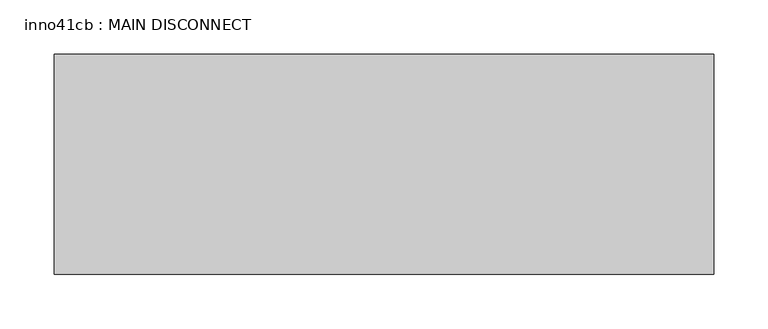
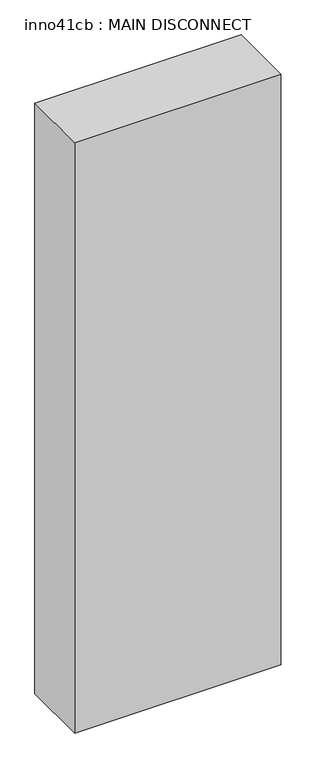
"""IFC4 building model written with IfcOpenShell, lengths in millimetres: proxy geometry, inno41cb : MAIN DISCONNECT."""

from ifc_helpers import new_model, si_unit, frame, origin, place, context, project, spatial, polyline, outline, extrude, source, transform, mapped, element, save


def inno41cb_main_disconnect_5e678aea(model_context):
    return source(origin(), model_context, "Body", "SweptSolid", [
        extrude(outline(polyline([(534.9693622, -111.8970561), (-74.6306378, -111.8970561), (-74.6306378, 91.3029439), (534.9693622, 91.3029439), (534.9693622, -111.8970561)])), frame((0.0, 0.0, 500.0112419), z_axis=(0.0, 0.0, 1.0), x_axis=(1.0, 0.0, 0.0)), (0.0, 0.0, 1.0), 1846.072),
    ])


if __name__ == "__main__":
    model = new_model("IFC4")
    model_context = context("Model", 3, world=origin())
    ifc_project = project(units=[si_unit("LENGTHUNIT", "METRE", prefix="MILLI")], contexts=[model_context])
    site = spatial("IfcSite", under=ifc_project)
    building = spatial("IfcBuilding", under=site)
    placement = place(None, origin())
    inno41cb_main_disconnect_shape = inno41cb_main_disconnect_5e678aea(model_context)
    element("IfcBuildingElementProxy", 1, Name="inno41cb : MAIN DISCONNECT", ObjectType="inno41cb : MAIN DISCONNECT", at=placement, inside=building, context=model_context, shape_type="MappedRepresentation", body=[
        mapped(inno41cb_main_disconnect_shape, transform((0.0, 0.0, 0.0), x_axis=(1.0, 0.0, 0.0), y_axis=(0.0, 1.0, 0.0), z_axis=(0.0, 0.0, 1.0))),
    ])
    save(model, "model.ifc")
